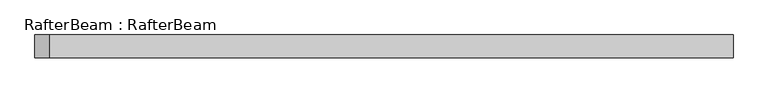
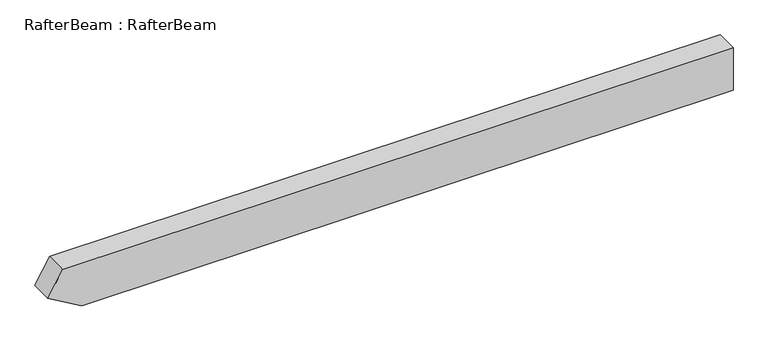
"""IFC4 building model written with IfcOpenShell, lengths in millimetres: beam geometry, RafterBeam : RafterBeam."""

from ifc_helpers import new_model, si_unit, frame, origin, place, context, project, spatial, polyline, outline, extrude, source, transform, mapped, element, save


def rafterbeam_rafterbeam_4e469898(model_context):
    return source(origin(), model_context, "Body", "SweptSolid", [
        extrude(outline(polyline([(50.0, 712.3505925), (50.0, -777.670319), (-6.6987298, -810.4053459), (-50.0, -735.4053459), (-50.0, 712.3505925), (50.0, 712.3505925)])), frame((0.0, -25.0, 0.0), z_axis=(0.0, 1.0, 0.0), x_axis=(0.0, 0.0, 1.0)), (0.0, 0.0, 1.0), 50.0),
    ])


if __name__ == "__main__":
    model = new_model("IFC4")
    model_context = context("Model", 3, world=origin())
    ifc_project = project(units=[si_unit("LENGTHUNIT", "METRE", prefix="MILLI")], contexts=[model_context])
    site = spatial("IfcSite", under=ifc_project)
    building = spatial("IfcBuilding", under=site)
    placement = place(None, origin())
    rafterbeam_rafterbeam_shape = rafterbeam_rafterbeam_4e469898(model_context)
    element("IfcBeam", 1, ObjectType="RafterBeam : RafterBeam", at=placement, inside=building, context=model_context, shape_type="MappedRepresentation", body=[
        mapped(rafterbeam_rafterbeam_shape, transform((0.0, 0.0, 0.0), x_axis=(1.0, 0.0, 0.0), y_axis=(0.0, 1.0, 0.0), z_axis=(0.0, 0.0, 1.0))),
    ])
    save(model, "model.ifc")
